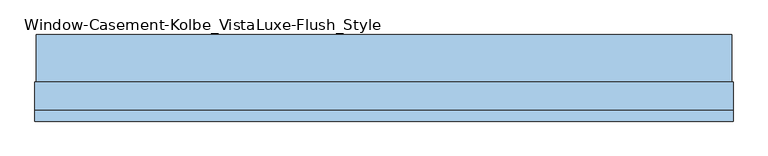
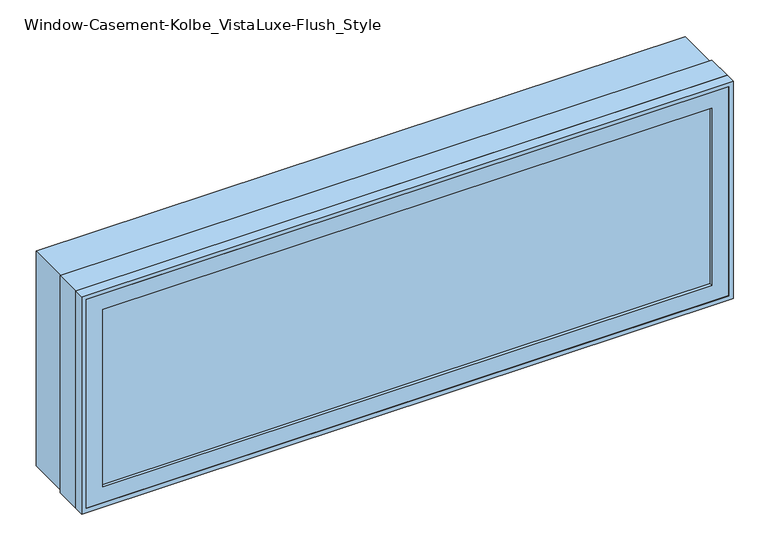
"""IFC4 building model written with IfcOpenShell, lengths in millimetres: window geometry, Window-Casement-Kolbe_VistaLuxe-Flush_Style."""

from ifc_helpers import new_model, si_unit, frame, origin, place, context, project, spatial, polyline, outline, extrude, faceted_brep, source, transform, mapped, element, save


def window_casement_kolbe_vistaluxe_flush_style_2a88af97(model_context):
    return source(origin(), model_context, "Body", "SolidModel", [
        faceted_brep([(-812.8696599, -111.85398, 970.676875), (-812.8696599, -119.79148, 970.676875), (801.7765901, -119.79148, 970.676875), (801.7765901, -111.85398, 970.676875), (-828.7446599, -89.60358, 954.801875), (-828.7446599, -111.85398, 954.801875), (817.6515901, -111.85398, 954.801875), (817.6515901, -89.60358, 954.801875), (-812.8696599, -70.57898, 970.676875), (-812.8696599, -89.60358, 970.676875), (801.7765901, -89.60358, 970.676875), (801.7765901, -70.57898, 970.676875), (-857.3196599, -119.79148, 926.226875), (-857.3196599, -70.57898, 926.226875), (846.2265901, -70.57898, 926.226875), (846.2265901, -119.79148, 926.226875), (801.7765901, -119.79148, 1467.723125), (801.7765901, -111.85398, 1467.723125), (817.6515901, -111.85398, 1483.598125), (817.6515901, -89.60358, 1483.598125), (801.7765901, -89.60358, 1467.723125), (801.7765901, -70.57898, 1467.723125), (846.2265901, -70.57898, 1512.173125), (846.2265901, -119.79148, 1512.173125), (-812.8696599, -119.79148, 1467.723125), (-812.8696599, -111.85398, 1467.723125), (-828.7446599, -111.85398, 1483.598125), (-828.7446599, -89.60358, 1483.598125), (-812.8696599, -89.60358, 1467.723125), (-812.8696599, -70.57898, 1467.723125), (-857.3196599, -70.57898, 1512.173125), (-857.3196599, -119.79148, 1512.173125)], [[[0, 1, 2, 3]], [[4, 5, 6, 7]], [[8, 9, 10, 11]], [[12, 13, 14, 15]], [[3, 2, 16, 17]], [[7, 6, 18, 19]], [[11, 10, 20, 21]], [[15, 14, 22, 23]], [[17, 16, 24, 25]], [[19, 18, 26, 27]], [[21, 20, 28, 29]], [[23, 22, 30, 31]], [[25, 24, 1, 0]], [[5, 26, 18, 6], [3, 17, 25, 0]], [[27, 26, 5, 4]], [[7, 19, 27, 4], [9, 28, 20, 10]], [[29, 28, 9, 8]], [[13, 30, 22, 14], [11, 21, 29, 8]], [[31, 30, 13, 12]], [[15, 23, 31, 12], [1, 24, 16, 2]]]),
        extrude(outline(polyline([(1520.4186, 854.4720651), (1520.4186, -865.5651349), (917.9814, -865.5651349), (917.9814, 854.4720651), (1520.4186, 854.4720651)]), holes=[polyline([(936.545625, 835.9078401), (936.545625, -847.0009099), (1501.854375, -847.0009099), (1501.854375, 835.9078401), (936.545625, 835.9078401)])]), frame((0.0, -22.9997, 0.0), z_axis=(0.0, 1.0, 0.0), x_axis=(0.0, 0.0, 1.0)), (0.0, 0.0, 1.0), 116.6622),
        extrude(outline(polyline([(1524.0, -869.1465349), (914.4, -869.1465349), (914.4, 858.0534651), (1524.0, 858.0534651), (1524.0, -869.1465349)]), holes=[polyline([(1512.173125, 846.2265901), (926.226875, 846.2265901), (926.226875, -857.3196599), (1512.173125, -857.3196599), (1512.173125, 846.2265901)])]), frame((0.0, -120.5865, 0.0), z_axis=(0.0, 1.0, 0.0), x_axis=(0.0, 0.0, 1.0)), (0.0, 0.0, 1.0), 26.924),
        faceted_brep([(858.0534651, -22.9997, 914.4), (858.0534651, -93.6625, 914.4), (-869.1465349, -93.6625, 914.4), (-869.1465349, -22.9997, 914.4), (835.9078401, -70.58025, 936.545625), (835.9078401, -22.9997, 936.545625), (-847.0009099, -22.9997, 936.545625), (-847.0009099, -70.58025, 936.545625), (846.2265901, -93.6625, 926.226875), (846.2265901, -70.58025, 926.226875), (-857.3196599, -70.58025, 926.226875), (-857.3196599, -93.6625, 926.226875), (-869.1465349, -93.6625, 1524.0), (-869.1465349, -22.9997, 1524.0), (-847.0009099, -22.9997, 1501.854375), (-847.0009099, -70.58025, 1501.854375), (-857.3196599, -70.58025, 1512.173125), (-857.3196599, -93.6625, 1512.173125), (858.0534651, -93.6625, 1524.0), (858.0534651, -22.9997, 1524.0), (835.9078401, -22.9997, 1501.854375), (835.9078401, -70.58025, 1501.854375), (846.2265901, -70.58025, 1512.173125), (846.2265901, -93.6625, 1512.173125)], [[[0, 1, 2, 3]], [[4, 5, 6, 7]], [[8, 9, 10, 11]], [[3, 2, 12, 13]], [[7, 6, 14, 15]], [[11, 10, 16, 17]], [[13, 12, 18, 19]], [[15, 14, 20, 21]], [[17, 16, 22, 23]], [[19, 18, 1, 0]], [[3, 13, 19, 0], [5, 20, 14, 6]], [[21, 20, 5, 4]], [[9, 22, 16, 10], [7, 15, 21, 4]], [[23, 22, 9, 8]], [[1, 18, 12, 2], [11, 17, 23, 8]]]),
        extrude(outline(polyline([(814.4765901, -92.77858), (-825.5696599, -92.77858), (-825.5696599, -89.60358), (814.4765901, -89.60358), (814.4765901, -92.77858)])), frame((0.0, 0.0, 957.976875), z_axis=(0.0, 0.0, 1.0), x_axis=(1.0, 0.0, 0.0)), (0.0, 0.0, 1.0), 522.44625),
        extrude(outline(polyline([(814.4765901, -108.67898), (814.4765901, -111.85398), (-825.5696599, -111.85398), (-825.5696599, -108.67898), (814.4765901, -108.67898)])), frame((0.0, 0.0, 957.976875), z_axis=(0.0, 0.0, 1.0), x_axis=(1.0, 0.0, 0.0)), (0.0, 0.0, 1.0), 522.44625),
        extrude(outline(polyline([(936.545625, 835.9078401), (1501.854375, 835.9078401), (1501.854375, -847.0009099), (936.545625, -847.0009099), (936.545625, 835.9078401)]), holes=[polyline([(954.801875, -828.7446599), (1483.598125, -828.7446599), (1483.598125, 817.6515901), (954.801875, 817.6515901), (954.801875, -828.7446599)])]), frame((0.0, -70.58025, 0.0), z_axis=(0.0, 1.0, 0.0), x_axis=(0.0, 0.0, 1.0)), (0.0, 0.0, 1.0), 50.8),
    ])


if __name__ == "__main__":
    model = new_model("IFC4")
    model_context = context("Model", 3, world=origin())
    ifc_project = project(units=[si_unit("LENGTHUNIT", "METRE", prefix="MILLI")], contexts=[model_context])
    site = spatial("IfcSite", under=ifc_project)
    building = spatial("IfcBuilding", under=site)
    placement = place(None, origin())
    window_casement_kolbe_vistaluxe_flush_style_shape = window_casement_kolbe_vistaluxe_flush_style_2a88af97(model_context)
    element("IfcWindow", 1, ObjectType="Window-Casement-Kolbe_VistaLuxe-Flush_Style", at=placement, inside=building, context=model_context, shape_type="MappedRepresentation", body=[
        mapped(window_casement_kolbe_vistaluxe_flush_style_shape, transform((0.0, 0.0, 0.0), x_axis=(1.0, 0.0, 0.0), y_axis=(0.0, 1.0, 0.0), z_axis=(0.0, 0.0, 1.0))),
    ])
    save(model, "model.ifc")
